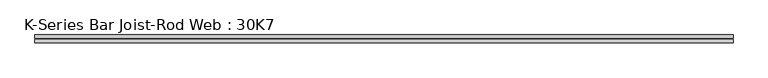
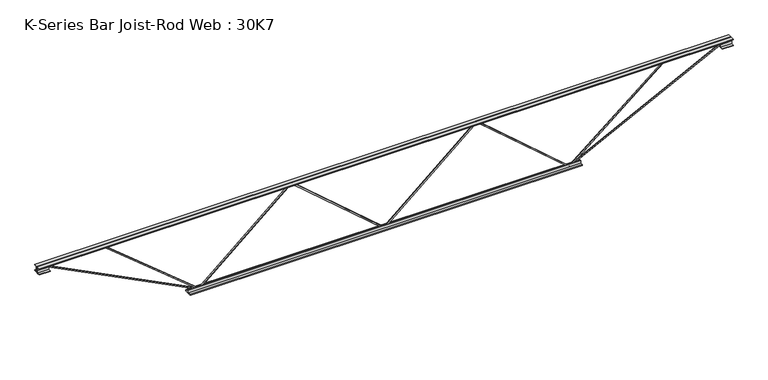
"""IFC4 building model written with IfcOpenShell, lengths in millimetres: beam geometry, K-Series Bar Joist-Rod Web : 30K7."""

import ifcopenshell
import ifcopenshell.guid

model = None  # the IFC model being written
_history = None  # IfcOwnerHistory: only IFC2X3 demands one
_inside = {}  # id of a spatial element -> (the spatial element, [elements in it])
_under = {}  # id of a project, library or spatial element -> (it, [spatial elements below it])
_declared = {}  # id of a project -> (the project, [libraries it declares])
_typed = {}  # id of a type object -> (the type object, [elements of that type])
_made_of = {}  # id of a material, layer set ... -> (it, [elements and type objects made of it])


def new_model(schema):
    """Start an empty IFC model of exactly this schema.

    Asked for "IFC4X3", IfcOpenShell would pick the latest addendum, in which some entities
    have other attributes; the version numbers below select the first issue.
    IFC2X3 requires an IfcOwnerHistory on every rooted entity: one is made here for all.
    """
    global model, _history
    if schema == "IFC4X3":
        model = ifcopenshell.file(schema_version=(4, 3, 0, 0))
    else:
        model = ifcopenshell.file(schema=schema)
    _inside.clear()
    _under.clear()
    _declared.clear()
    _typed.clear()
    _made_of.clear()
    _history = None
    if model.schema == "IFC2X3":
        org = make("IfcOrganization", Name="unknown")
        user = make(
            "IfcPersonAndOrganization",
            ThePerson=make("IfcPerson", FamilyName="unknown"),
            TheOrganization=org,
        )
        app = make(
            "IfcApplication",
            ApplicationDeveloper=org,
            Version="unknown",
            ApplicationFullName="unknown",
            ApplicationIdentifier="unknown",
        )
        _history = make(
            "IfcOwnerHistory",
            OwningUser=user,
            OwningApplication=app,
            ChangeAction="ADDED",
            CreationDate=0,
        )
    return model


def make(cls, **values):
    """One entity of the class cls with the attributes given. An attribute that is None is left unset."""
    return model.create_entity(
        cls, **{name: value for name, value in values.items() if value is not None}
    )


def rooted(cls, **values):
    """An entity with a GlobalId (a new one), such as an element, a storey or a relation."""
    return make(cls, GlobalId=ifcopenshell.guid.new(), OwnerHistory=_history, **values)


def si_unit(unit_type, name, prefix=None):
    """IfcSIUnit, for example si_unit("LENGTHUNIT", "METRE", prefix="MILLI")."""
    return make("IfcSIUnit", UnitType=unit_type, Prefix=prefix, Name=name)


def assignment(units):
    """IfcUnitAssignment: the units of a project."""
    return None if units is None else make("IfcUnitAssignment", Units=units)


def point(xyz):
    """IfcCartesianPoint."""
    return None if xyz is None else make("IfcCartesianPoint", Coordinates=xyz)


def direction(xyz):
    """IfcDirection."""
    return None if xyz is None else make("IfcDirection", DirectionRatios=xyz)


def frame(location, z_axis=None, x_axis=None):
    """IfcAxis2Placement3D, a coordinate frame: its origin and axes. An axis left out is left unset."""
    return make(
        "IfcAxis2Placement3D",
        Location=point(location),
        Axis=direction(z_axis),
        RefDirection=direction(x_axis),
    )


def origin():
    """The frame at (0, 0, 0) with its axes left unset."""
    return frame((0.0, 0.0, 0.0))


def place(relative_to, where):
    """IfcLocalPlacement: puts the frame where relative to a parent placement (None: the world)."""
    return make(
        "IfcLocalPlacement", PlacementRelTo=relative_to, RelativePlacement=where
    )


def context(
    kind, dimensions, precision=None, world=None, true_north=None, identifier=None
):
    """IfcGeometricRepresentationContext, for example the 3D "Model" context."""
    return make(
        "IfcGeometricRepresentationContext",
        ContextIdentifier=identifier,
        ContextType=kind,
        CoordinateSpaceDimension=dimensions,
        Precision=precision,
        WorldCoordinateSystem=world,
        TrueNorth=true_north,
    )


def project(units=None, contexts=None):
    """IfcProject with its units and contexts."""
    return rooted(
        "IfcProject",
        Name="project",
        RepresentationContexts=contexts,
        UnitsInContext=assignment(units),
    )


def spatial(cls, under=None, at=None, **own):
    """A site, building, storey or space (cls), placed at a placement, below another one or the project."""
    s = rooted(cls, ObjectPlacement=at, **own)
    if under is not None:
        _under.setdefault(under.id(), (under, []))[1].append(s)
    return s


def polyline(points):
    """IfcPolyline through the points."""
    return make("IfcPolyline", Points=[point(p) for p in points])


def outline(outer, holes=None, kind="AREA"):
    """IfcArbitraryClosedProfileDef: a profile drawn as a closed curve; with holes, ...WithVoids."""
    if holes is None:
        return make("IfcArbitraryClosedProfileDef", ProfileType=kind, OuterCurve=outer)
    return make(
        "IfcArbitraryProfileDefWithVoids",
        ProfileType=kind,
        OuterCurve=outer,
        InnerCurves=holes,
    )


def extrude(swept, where, along, depth):
    """IfcExtrudedAreaSolid: the profile swept, set in the frame where, extruded along a direction by depth."""
    return make(
        "IfcExtrudedAreaSolid",
        SweptArea=swept,
        Position=where,
        ExtrudedDirection=direction(along),
        Depth=depth,
    )


def shape(context_of_items, identifier, shape_type, items):
    """IfcShapeRepresentation: the items that make up one representation, for example the "Body"."""
    return make(
        "IfcShapeRepresentation",
        ContextOfItems=context_of_items,
        RepresentationIdentifier=identifier,
        RepresentationType=shape_type,
        Items=items,
    )


def source(mapping_origin, context_of_items, identifier, shape_type, items):
    """IfcRepresentationMap: a shape defined once, which mapped items show again and again."""
    return make(
        "IfcRepresentationMap",
        MappingOrigin=mapping_origin,
        MappedRepresentation=shape(context_of_items, identifier, shape_type, items),
    )


def transform(
    local_origin,
    x_axis=None,
    y_axis=None,
    z_axis=None,
    scale=None,
    scale2=None,
    scale3=None,
    uniform=True,
):
    """IfcCartesianTransformationOperator3D, or its non-uniform kind. x_axis, y_axis, z_axis: its Axis1, 2, 3."""
    if uniform:
        return make(
            "IfcCartesianTransformationOperator3D",
            Axis1=direction(x_axis),
            Axis2=direction(y_axis),
            LocalOrigin=point(local_origin),
            Scale=scale,
            Axis3=direction(z_axis),
        )
    return make(
        "IfcCartesianTransformationOperator3DnonUniform",
        Axis1=direction(x_axis),
        Axis2=direction(y_axis),
        LocalOrigin=point(local_origin),
        Scale=scale,
        Axis3=direction(z_axis),
        Scale2=scale2,
        Scale3=scale3,
    )


def mapped(mapping_source, mapping_target):
    """IfcMappedItem: shows the shape of a source again, moved by a transform."""
    return make(
        "IfcMappedItem", MappingSource=mapping_source, MappingTarget=mapping_target
    )


def made_of(thing, what):
    """Note that an element or type object is made of a material, layer set ...; save() writes the relation."""
    if what is not None:
        _made_of.setdefault(what.id(), (what, []))[1].append(thing)
    return thing


def element(
    cls,
    number,
    at=None,
    inside=None,
    cuts=None,
    type_object=None,
    material=None,
    context=None,
    identifier="Body",
    shape_type=None,
    held_by="IfcProductDefinitionShape",
    body=None,
    shapes=None,
    **own,
):
    """One element of the class cls, such as IfcWall. Its Tag is "e" and its number.

    at: its placement. inside: the storey or other place that contains it. cuts: it is an
    opening in that element (IfcRelVoidsElement). A single representation is given by context,
    identifier, shape_type and body (its items); several are given by shapes. held_by: the class
    of the entity that holds the representations. save() writes the other relations.
    """
    e = rooted(cls, Tag="e%d" % number, ObjectPlacement=at, **own)
    if body is not None:
        shapes = [shape(context, identifier, shape_type, body)]
    if shapes is not None:
        e.Representation = make(held_by, Representations=shapes)
    if inside is not None:
        _inside.setdefault(inside.id(), (inside, []))[1].append(e)
    if cuts is not None:
        rooted(
            "IfcRelVoidsElement", RelatingBuildingElement=cuts, RelatedOpeningElement=e
        )
    if type_object is not None:
        _typed.setdefault(type_object.id(), (type_object, []))[1].append(e)
    return made_of(e, material)


def aggregate(whole, parts):
    """IfcRelAggregates: a whole, such as a stair, and the parts it consists of."""
    return rooted("IfcRelAggregates", RelatingObject=whole, RelatedObjects=parts)


def save(model, path):
    """Write the relations noted so far, then the file.

    IfcRelAggregates (storeys below a building ...), IfcRelContainedInSpatialStructure (elements
    in a storey), IfcRelDefinesByType, IfcRelAssociatesMaterial and IfcRelDeclares: one each for
    every whole, place, type object, material and project.
    """
    for whole, parts in _under.values():
        aggregate(whole, parts)
    for where, things in _inside.values():
        rooted(
            "IfcRelContainedInSpatialStructure",
            RelatedElements=things,
            RelatingStructure=where,
        )
    for kind, things in _typed.values():
        rooted("IfcRelDefinesByType", RelatedObjects=things, RelatingType=kind)
    for what, things in _made_of.values():
        rooted("IfcRelAssociatesMaterial", RelatedObjects=things, RelatingMaterial=what)
    for by, libraries in _declared.values():
        rooted("IfcRelDeclares", RelatingContext=by, RelatedDefinitions=libraries)
    model.write(path)


def k_series_bar_joist_rod_web_30k7_6047bf8b(model_context):
    return source(origin(), model_context, "Body", "SweptSolid", [
        extrude(outline(polyline([(-369.8875, 0.0), (-379.4125, 0.0), (-379.4125, 4.9447087), (369.8875, 873.9560434), (369.8875, 876.766626), (-379.4125, 1745.7779607), (-379.4125, 1750.7226694), (-369.8875, 1750.7226694), (-369.8875, 1749.3173781), (379.4125, 880.3060434), (379.4125, 870.416626), (-369.8875, 1.4052913), (-369.8875, 0.0)])), frame((0.0, -4.7625, 0.0), z_axis=(0.0, 1.0, 0.0), x_axis=(0.0, 0.0, 1.0)), (0.0, 0.0, 1.0), 9.525),
        extrude(outline(polyline([(-369.8875, -1750.7226694), (-379.4125, -1750.7226694), (-379.4125, -1745.7779607), (369.8875, -876.766626), (369.8875, -873.9560434), (-379.4125, -4.9447087), (-379.4125, 0.0), (-369.8875, 0.0), (-369.8875, -1.4052913), (379.4125, -870.416626), (379.4125, -880.3060434), (-369.8875, -1749.3173781), (-369.8875, -1750.7226694)])), frame((0.0, -4.7625, 0.0), z_axis=(0.0, 1.0, 0.0), x_axis=(0.0, 0.0, 1.0)), (0.0, 0.0, 1.0), 9.525),
        extrude(outline(polyline([(4.7625, 381.0), (36.5125, 381.0), (36.5125, 374.65), (11.1125, 374.65), (11.1125, 349.25), (4.7625, 349.25), (4.7625, 381.0)])), frame((-3274.7226694, 0.0, 0.0), z_axis=(1.0, 0.0, 0.0), x_axis=(0.0, 1.0, 0.0)), (0.0, 0.0, 1.0), 6549.4453387),
        extrude(outline(polyline([(-4.7625, 381.0), (-4.7625, 349.25), (-11.1125, 349.25), (-11.1125, 374.65), (-36.5125, 374.65), (-36.5125, 381.0), (-4.7625, 381.0)])), frame((-3274.7226694, 0.0, 0.0), z_axis=(1.0, 0.0, 0.0), x_axis=(0.0, 1.0, 0.0)), (0.0, 0.0, 1.0), 6549.4453387),
        extrude(outline(polyline([(-4.7625, 317.5), (-36.5125, 317.5), (-36.5125, 323.85), (-11.1125, 323.85), (-11.1125, 349.25), (-4.7625, 349.25), (-4.7625, 317.5)])), frame((-3274.7226694, 0.0, 0.0), z_axis=(1.0, 0.0, 0.0), x_axis=(0.0, 1.0, 0.0)), (0.0, 0.0, 1.0), 101.6),
        extrude(outline(polyline([(36.5125, 317.5), (4.7625, 317.5), (4.7625, 349.25), (11.1125, 349.25), (11.1125, 323.85), (36.5125, 323.85), (36.5125, 317.5)])), frame((-3274.7226694, 0.0, 0.0), z_axis=(1.0, 0.0, 0.0), x_axis=(0.0, 1.0, 0.0)), (0.0, 0.0, 1.0), 101.6),
        extrude(outline(polyline([(4.7625, 317.5), (4.7625, 349.25), (11.1125, 349.25), (11.1125, 323.85), (36.5125, 323.85), (36.5125, 317.5), (4.7625, 317.5)])), frame((3173.1226694, 0.0, 0.0), z_axis=(1.0, 0.0, 0.0), x_axis=(0.0, 1.0, 0.0)), (0.0, 0.0, 1.0), 101.6),
        extrude(outline(polyline([(-4.7625, 317.5), (-36.5125, 317.5), (-36.5125, 323.85), (-11.1125, 323.85), (-11.1125, 349.25), (-4.7625, 349.25), (-4.7625, 317.5)])), frame((3173.1226694, 0.0, 0.0), z_axis=(1.0, 0.0, 0.0), x_axis=(0.0, 1.0, 0.0)), (0.0, 0.0, 1.0), 101.6),
        extrude(outline(polyline([(4.7625, -381.0), (4.7625, -349.25), (11.1125, -349.25), (11.1125, -374.65), (36.5125, -374.65), (36.5125, -381.0), (4.7625, -381.0)])), frame((-1852.3226694, 0.0, 0.0), z_axis=(1.0, 0.0, 0.0), x_axis=(0.0, 1.0, 0.0)), (0.0, 0.0, 1.0), 3704.6453387),
        extrude(outline(polyline([(-4.7625, -381.0), (-36.5125, -381.0), (-36.5125, -374.65), (-11.1125, -374.65), (-11.1125, -349.25), (-4.7625, -349.25), (-4.7625, -381.0)])), frame((-1852.3226694, 0.0, 0.0), z_axis=(1.0, 0.0, 0.0), x_axis=(0.0, 1.0, 0.0)), (0.0, 0.0, 1.0), 3704.6453387),
        extrude(outline(polyline([(0.0, -9.525), (0.0, 0.0), (1596.011582, 0.0), (1596.011582, -9.525), (0.0, -9.525)])), frame((-3175.2827876, 4.7625, 345.0055571), z_axis=(0.4535681370653387, 0.0, 0.8912216026550738), x_axis=(0.8912216026550738, 0.0, -0.4535681370653387)), (0.0, 0.0, 1.0), 9.525),
        extrude(outline(polyline([(0.0, -9.525), (0.0, 0.0), (1135.9087447, 0.0), (1135.9087447, -9.525), (0.0, -9.525)])), frame((-2629.1190839, 4.7625, 345.5798915), z_axis=(0.6372871090076981, 0.0, 0.770626459896499), x_axis=(0.770626459896499, 0.0, -0.6372871090076981)), (0.0, 0.0, 1.0), 9.525),
        extrude(outline(polyline([(0.0, -9.525), (0.0, 0.0), (1596.011582, 0.0), (1596.011582, -9.525), (0.0, -9.525)])), frame((3175.2827876, -4.7625, 345.0055571), z_axis=(-0.4535681370653314, 0.0, 0.8912216026550775), x_axis=(-0.8912216026550775, 0.0, -0.4535681370653314)), (0.0, 0.0, 1.0), 9.525),
        extrude(outline(polyline([(0.0, -9.525), (0.0, 0.0), (1135.9087447, 0.0), (1135.9087447, -9.525), (0.0, -9.525)])), frame((2629.1190839, -4.7625, 345.5798915), z_axis=(-0.6372871090076961, 0.0, 0.7706264598965006), x_axis=(-0.7706264598965006, 0.0, -0.6372871090076961)), (0.0, 0.0, 1.0), 9.525),
    ])


if __name__ == "__main__":
    model = new_model("IFC4")
    model_context = context("Model", 3, world=origin())
    ifc_project = project(units=[si_unit("LENGTHUNIT", "METRE", prefix="MILLI")], contexts=[model_context])
    site = spatial("IfcSite", under=ifc_project)
    building = spatial("IfcBuilding", under=site)
    placement = place(None, origin())
    k_series_bar_joist_rod_web_30k7_shape = k_series_bar_joist_rod_web_30k7_6047bf8b(model_context)
    element("IfcBeam", 1, ObjectType="K-Series Bar Joist-Rod Web : 30K7", at=placement, inside=building, context=model_context, shape_type="MappedRepresentation", body=[
        mapped(k_series_bar_joist_rod_web_30k7_shape, transform((0.0, 0.0, 0.0), x_axis=(1.0, 0.0, 0.0), y_axis=(0.0, 1.0, 0.0), z_axis=(0.0, 0.0, 1.0))),
    ])
    save(model, "model.ifc")
